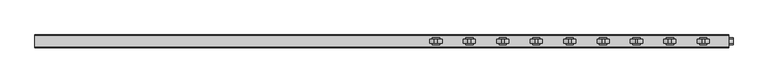
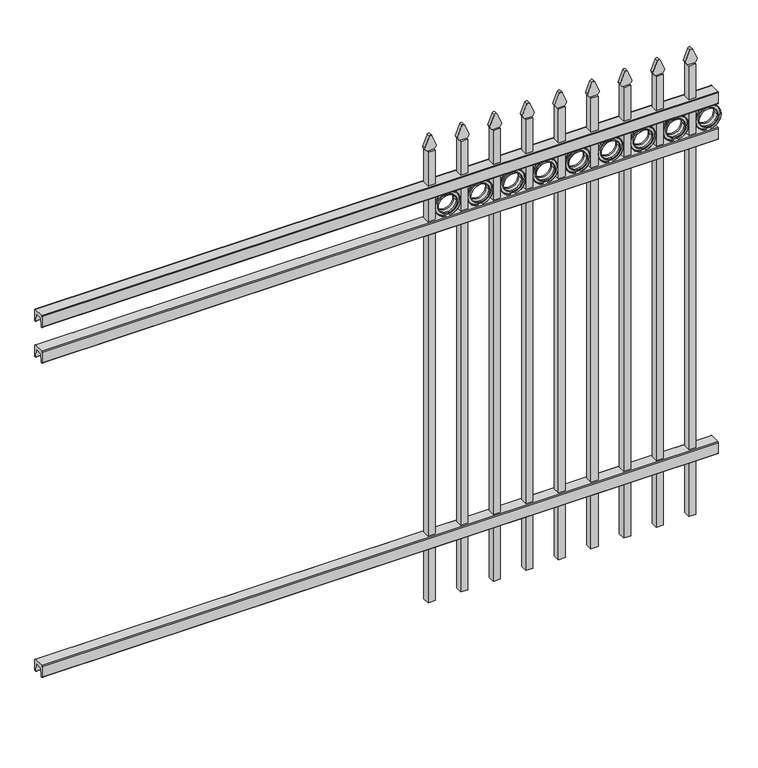
"""IFC4 building model written with IfcOpenShell, lengths in millimetres: railing geometry."""

from ifc_helpers import new_model, si_unit, point, frame, frame_2d, origin, place, context, project, spatial, polyline, circle_curve, trimmed, segment, composite_curve, outline, extrude, source, transform, mapped, element, save


def railing_13923041(model_context):
    return source(origin(), model_context, "Body", "SweptSolid", [
        extrude(outline(composite_curve([segment(polyline([(10349.9139761, 304.8), (10387.969541, 304.8)]), True, "CONTINUOUS"), segment(trimmed(circle_curve(frame_2d((10387.969541, 301.625)), 3.175), [point((10387.969541, 304.8))], [point((10391.144541, 301.625))], False, "CARTESIAN"), True, "CONTINUOUS"), segment(polyline([(10391.144541, 301.625), (10391.144541, 262.1439893)]), True, "CONTINUOUS"), segment(trimmed(circle_curve(frame_2d((10389.3505518, 262.1439893)), 1.7939893), [point((10391.144541, 262.1439893))], [point((10389.3505518, 260.35))], False, "CARTESIAN"), True, "CONTINUOUS"), segment(polyline([(10389.3505518, 260.35), (10386.7590713, 260.35)]), True, "CONTINUOUS"), segment(trimmed(circle_curve(frame_2d((10386.7590713, 262.1359375)), 1.7859375), [point((10386.7590713, 260.35))], [point((10384.9755813, 262.0424688))], False, "CARTESIAN"), True, "CONTINUOUS"), segment(polyline([(10384.9755813, 262.0424688), (10383.4025867, 292.0569942), (10354.4364954, 292.0569942), (10352.8635007, 262.0424688)]), True, "CONTINUOUS"), segment(trimmed(circle_curve(frame_2d((10351.0800108, 262.1359375)), 1.7859375), [point((10352.8635007, 262.0424688))], [point((10351.0800108, 260.35))], False, "CARTESIAN"), True, "CONTINUOUS"), segment(polyline([(10351.0800108, 260.35), (10348.4804785, 260.35)]), True, "CONTINUOUS"), segment(trimmed(circle_curve(frame_2d((10348.4804785, 262.1359375)), 1.7859375), [point((10348.4804785, 260.35))], [point((10346.694541, 262.1359375))], False, "CARTESIAN"), True, "CONTINUOUS"), segment(polyline([(10346.694541, 262.1359375), (10346.694541, 301.5805649)]), True, "CONTINUOUS"), segment(trimmed(circle_curve(frame_2d((10349.9139761, 301.5805649)), 3.2194351), [point((10346.694541, 301.5805649))], [point((10349.9139761, 304.8))], False, "CARTESIAN"), True, "CONTINUOUS")], self_intersect=False)), frame((-23871.4649936, 0.0, 0.0), z_axis=(1.0, 0.0, 0.0), x_axis=(0.0, 1.0, 0.0)), (0.0, 0.0, 1.0), 2438.4),
        extrude(outline(composite_curve([segment(polyline([(10349.9139761, 1503.3625), (10387.969541, 1503.3625)]), True, "CONTINUOUS"), segment(trimmed(circle_curve(frame_2d((10387.969541, 1500.1875)), 3.175), [point((10387.969541, 1503.3625))], [point((10391.144541, 1500.1875))], False, "CARTESIAN"), True, "CONTINUOUS"), segment(polyline([(10391.144541, 1500.1875), (10391.144541, 1460.7064893)]), True, "CONTINUOUS"), segment(trimmed(circle_curve(frame_2d((10389.3505518, 1460.7064893)), 1.7939893), [point((10391.144541, 1460.7064893))], [point((10389.3505518, 1458.9125))], False, "CARTESIAN"), True, "CONTINUOUS"), segment(polyline([(10389.3505518, 1458.9125), (10386.7590713, 1458.9125)]), True, "CONTINUOUS"), segment(trimmed(circle_curve(frame_2d((10386.7590713, 1460.6984375)), 1.7859375), [point((10386.7590713, 1458.9125))], [point((10384.9755813, 1460.6049688))], False, "CARTESIAN"), True, "CONTINUOUS"), segment(polyline([(10384.9755813, 1460.6049688), (10383.4025867, 1490.6194942), (10354.4364954, 1490.6194942), (10352.8635007, 1460.6049688)]), True, "CONTINUOUS"), segment(trimmed(circle_curve(frame_2d((10351.0800108, 1460.6984375)), 1.7859375), [point((10352.8635007, 1460.6049688))], [point((10351.0800108, 1458.9125))], False, "CARTESIAN"), True, "CONTINUOUS"), segment(polyline([(10351.0800108, 1458.9125), (10348.4804785, 1458.9125)]), True, "CONTINUOUS"), segment(trimmed(circle_curve(frame_2d((10348.4804785, 1460.6984375)), 1.7859375), [point((10348.4804785, 1458.9125))], [point((10346.694541, 1460.6984375))], False, "CARTESIAN"), True, "CONTINUOUS"), segment(polyline([(10346.694541, 1460.6984375), (10346.694541, 1500.1430649)]), True, "CONTINUOUS"), segment(trimmed(circle_curve(frame_2d((10349.9139761, 1500.1430649)), 3.2194351), [point((10346.694541, 1500.1430649))], [point((10349.9139761, 1503.3625))], False, "CARTESIAN"), True, "CONTINUOUS")], self_intersect=False)), frame((-23871.4649936, 0.0, 0.0), z_axis=(1.0, 0.0, 0.0), x_axis=(0.0, 1.0, 0.0)), (0.0, 0.0, 1.0), 2438.4),
        extrude(outline(composite_curve([segment(polyline([(10349.9139761, 1639.8875), (10387.969541, 1639.8875)]), True, "CONTINUOUS"), segment(trimmed(circle_curve(frame_2d((10387.969541, 1636.7125)), 3.175), [point((10387.969541, 1639.8875))], [point((10391.144541, 1636.7125))], False, "CARTESIAN"), True, "CONTINUOUS"), segment(polyline([(10391.144541, 1636.7125), (10391.144541, 1597.2314893)]), True, "CONTINUOUS"), segment(trimmed(circle_curve(frame_2d((10389.3505518, 1597.2314893)), 1.7939893), [point((10391.144541, 1597.2314893))], [point((10389.3505518, 1595.4375))], False, "CARTESIAN"), True, "CONTINUOUS"), segment(polyline([(10389.3505518, 1595.4375), (10386.7590713, 1595.4375)]), True, "CONTINUOUS"), segment(trimmed(circle_curve(frame_2d((10386.7590713, 1597.2234375)), 1.7859375), [point((10386.7590713, 1595.4375))], [point((10384.9755813, 1597.1299688))], False, "CARTESIAN"), True, "CONTINUOUS"), segment(polyline([(10384.9755813, 1597.1299688), (10383.4025867, 1627.1444942), (10354.4364954, 1627.1444942), (10352.8635007, 1597.1299688)]), True, "CONTINUOUS"), segment(trimmed(circle_curve(frame_2d((10351.0800108, 1597.2234375)), 1.7859375), [point((10352.8635007, 1597.1299688))], [point((10351.0800108, 1595.4375))], False, "CARTESIAN"), True, "CONTINUOUS"), segment(polyline([(10351.0800108, 1595.4375), (10348.4804785, 1595.4375)]), True, "CONTINUOUS"), segment(trimmed(circle_curve(frame_2d((10348.4804785, 1597.2234375)), 1.7859375), [point((10348.4804785, 1595.4375))], [point((10346.694541, 1597.2234375))], False, "CARTESIAN"), True, "CONTINUOUS"), segment(polyline([(10346.694541, 1597.2234375), (10346.694541, 1636.6680649)]), True, "CONTINUOUS"), segment(trimmed(circle_curve(frame_2d((10349.9139761, 1636.6680649)), 3.2194351), [point((10346.694541, 1636.6680649))], [point((10349.9139761, 1639.8875))], False, "CARTESIAN"), True, "CONTINUOUS")], self_intersect=False)), frame((-23871.4649936, 0.0, 0.0), z_axis=(1.0, 0.0, 0.0), x_axis=(0.0, 1.0, 0.0)), (0.0, 0.0, 1.0), 2438.4),
        extrude(outline(composite_curve([segment(polyline([(1769.4798417, -21534.6649936), (1769.4798417, -21508.9743116)]), True, "CONTINUOUS"), segment(trimmed(circle_curve(frame_2d((1787.7299402, -21523.1372336)), 23.1009622), [point((1769.4798417, -21508.9743116))], [point((1782.2676176, -21500.6913545))], False, "CARTESIAN"), True, "CONTINUOUS"), segment(polyline([(1782.2676176, -21500.6913545), (1822.7555225, -21517.0105644)]), True, "CONTINUOUS"), segment(trimmed(circle_curve(frame_2d((1819.6045804, -21522.1405764)), 6.0204202), [point((1822.7555225, -21517.0105644))], [point((1822.7555225, -21527.2705884))], False, "CARTESIAN"), True, "CONTINUOUS"), segment(polyline([(1822.7555225, -21527.2705884), (1783.5339948, -21543.2187724)]), True, "CONTINUOUS"), segment(trimmed(circle_curve(frame_2d((1787.7299402, -21520.5020716)), 23.1009622), [point((1783.5339948, -21543.2187724))], [point((1769.4798417, -21534.6649936))], False, "CARTESIAN"), True, "CONTINUOUS")], self_intersect=False)), frame((0.0, 10362.569541, 0.0), z_axis=(0.0, 1.0, 0.0), x_axis=(0.0, 0.0, 1.0)), (0.0, 0.0, 1.0), 12.7),
        extrude(outline(composite_curve([segment(trimmed(circle_curve(frame_2d((1546.9853669, -21463.1692595)), 45.6988591), [point((1546.9853669, -21417.4704004))], [point((1546.9853669, -21508.8681186))], False, "CARTESIAN"), True, "CONTINUOUS"), segment(trimmed(circle_curve(frame_2d((1546.9853669, -21463.1692595)), 45.6988591), [point((1546.9853669, -21508.8681186))], [point((1546.9853669, -21417.4704004))], False, "CARTESIAN"), True, "CONTINUOUS")], self_intersect=False), holes=[composite_curve([segment(trimmed(circle_curve(frame_2d((1546.9853669, -21463.1692595)), 33.0443887), [point((1546.9853669, -21430.1248708))], [point((1546.9853669, -21496.2136482))], True, "CARTESIAN"), True, "CONTINUOUS"), segment(trimmed(circle_curve(frame_2d((1546.9853669, -21463.1692595)), 33.0443887), [point((1546.9853669, -21496.2136482))], [point((1546.9853669, -21430.1248708))], True, "CARTESIAN"), True, "CONTINUOUS")], self_intersect=False)]), frame((0.0, 10362.569541, 0.0), z_axis=(0.0, 1.0, 0.0), x_axis=(0.0, 0.0, 1.0)), (0.0, 0.0, 1.0), 12.7),
        extrude(outline(polyline([(-21534.6649936, 10381.619541), (-21509.2649936, 10381.619541), (-21509.2649936, 10356.219541), (-21534.6649936, 10356.219541), (-21534.6649936, 10381.619541)])), frame((0.0, 0.0, 50.8), z_axis=(0.0, 0.0, 1.0), x_axis=(1.0, 0.0, 0.0)), (0.0, 0.0, 1.0), 1718.4579232),
        extrude(outline(composite_curve([segment(trimmed(circle_curve(frame_2d((1546.9853669, -21463.1692595)), 45.6988591), [point((1546.9853669, -21417.4704004))], [point((1546.9853669, -21508.8681186))], False, "CARTESIAN"), True, "CONTINUOUS"), segment(trimmed(circle_curve(frame_2d((1546.9853669, -21463.1692595)), 45.6988591), [point((1546.9853669, -21508.8681186))], [point((1546.9853669, -21417.4704004))], False, "CARTESIAN"), True, "CONTINUOUS")], self_intersect=False), holes=[composite_curve([segment(trimmed(circle_curve(frame_2d((1546.9853669, -21463.1692595)), 44.101539), [point((1546.9853669, -21419.0677205))], [point((1546.9853669, -21507.2707985))], True, "CARTESIAN"), True, "CONTINUOUS"), segment(trimmed(circle_curve(frame_2d((1546.9853669, -21463.1692595)), 44.101539), [point((1546.9853669, -21507.2707985))], [point((1546.9853669, -21419.0677205))], True, "CARTESIAN"), True, "CONTINUOUS")], self_intersect=False)]), frame((0.0, 10356.219541, 0.0), z_axis=(0.0, 1.0, 0.0), x_axis=(0.0, 0.0, 1.0)), (0.0, 0.0, 1.0), 25.4),
        extrude(outline(composite_curve([segment(trimmed(circle_curve(frame_2d((1546.9853669, -21463.1692595)), 34.6370762), [point((1546.9853669, -21428.5321833))], [point((1546.9853669, -21497.8063357))], False, "CARTESIAN"), True, "CONTINUOUS"), segment(trimmed(circle_curve(frame_2d((1546.9853669, -21463.1692595)), 34.6370762), [point((1546.9853669, -21497.8063357))], [point((1546.9853669, -21428.5321833))], False, "CARTESIAN"), True, "CONTINUOUS")], self_intersect=False), holes=[composite_curve([segment(trimmed(circle_curve(frame_2d((1546.9853669, -21463.1692595)), 33.0443887), [point((1546.9853669, -21430.1248708))], [point((1546.9853669, -21496.2136482))], True, "CARTESIAN"), True, "CONTINUOUS"), segment(trimmed(circle_curve(frame_2d((1546.9853669, -21463.1692595)), 33.0443887), [point((1546.9853669, -21496.2136482))], [point((1546.9853669, -21430.1248708))], True, "CARTESIAN"), True, "CONTINUOUS")], self_intersect=False)]), frame((0.0, 10356.219541, 0.0), z_axis=(0.0, 1.0, 0.0), x_axis=(0.0, 0.0, 1.0)), (0.0, 0.0, 1.0), 25.4),
        extrude(outline(composite_curve([segment(polyline([(1769.4798417, -21652.1399936), (1769.4798417, -21626.4493116)]), True, "CONTINUOUS"), segment(trimmed(circle_curve(frame_2d((1787.7299402, -21640.6122336)), 23.1009622), [point((1769.4798417, -21626.4493116))], [point((1782.2676176, -21618.1663545))], False, "CARTESIAN"), True, "CONTINUOUS"), segment(polyline([(1782.2676176, -21618.1663545), (1822.7555225, -21634.4855644)]), True, "CONTINUOUS"), segment(trimmed(circle_curve(frame_2d((1819.6045804, -21639.6155764)), 6.0204202), [point((1822.7555225, -21634.4855644))], [point((1822.7555225, -21644.7455884))], False, "CARTESIAN"), True, "CONTINUOUS"), segment(polyline([(1822.7555225, -21644.7455884), (1783.5339948, -21660.6937724)]), True, "CONTINUOUS"), segment(trimmed(circle_curve(frame_2d((1787.7299402, -21637.9770716)), 23.1009622), [point((1783.5339948, -21660.6937724))], [point((1769.4798417, -21652.1399936))], False, "CARTESIAN"), True, "CONTINUOUS")], self_intersect=False)), frame((0.0, 10362.569541, 0.0), z_axis=(0.0, 1.0, 0.0), x_axis=(0.0, 0.0, 1.0)), (0.0, 0.0, 1.0), 12.7),
        extrude(outline(composite_curve([segment(trimmed(circle_curve(frame_2d((1546.9853669, -21580.6442595)), 45.6988591), [point((1546.9853669, -21534.9454004))], [point((1546.9853669, -21626.3431186))], False, "CARTESIAN"), True, "CONTINUOUS"), segment(trimmed(circle_curve(frame_2d((1546.9853669, -21580.6442595)), 45.6988591), [point((1546.9853669, -21626.3431186))], [point((1546.9853669, -21534.9454004))], False, "CARTESIAN"), True, "CONTINUOUS")], self_intersect=False), holes=[composite_curve([segment(trimmed(circle_curve(frame_2d((1546.9853669, -21580.6442595)), 33.0443887), [point((1546.9853669, -21547.5998708))], [point((1546.9853669, -21613.6886482))], True, "CARTESIAN"), True, "CONTINUOUS"), segment(trimmed(circle_curve(frame_2d((1546.9853669, -21580.6442595)), 33.0443887), [point((1546.9853669, -21613.6886482))], [point((1546.9853669, -21547.5998708))], True, "CARTESIAN"), True, "CONTINUOUS")], self_intersect=False)]), frame((0.0, 10362.569541, 0.0), z_axis=(0.0, 1.0, 0.0), x_axis=(0.0, 0.0, 1.0)), (0.0, 0.0, 1.0), 12.7),
        extrude(outline(polyline([(-21652.1399936, 10381.619541), (-21626.7399936, 10381.619541), (-21626.7399936, 10356.219541), (-21652.1399936, 10356.219541), (-21652.1399936, 10381.619541)])), frame((0.0, 0.0, 50.8), z_axis=(0.0, 0.0, 1.0), x_axis=(1.0, 0.0, 0.0)), (0.0, 0.0, 1.0), 1718.4579232),
        extrude(outline(composite_curve([segment(trimmed(circle_curve(frame_2d((1546.9853669, -21580.6442595)), 45.6988591), [point((1546.9853669, -21534.9454004))], [point((1546.9853669, -21626.3431186))], False, "CARTESIAN"), True, "CONTINUOUS"), segment(trimmed(circle_curve(frame_2d((1546.9853669, -21580.6442595)), 45.6988591), [point((1546.9853669, -21626.3431186))], [point((1546.9853669, -21534.9454004))], False, "CARTESIAN"), True, "CONTINUOUS")], self_intersect=False), holes=[composite_curve([segment(trimmed(circle_curve(frame_2d((1546.9853669, -21580.6442595)), 44.101539), [point((1546.9853669, -21536.5427205))], [point((1546.9853669, -21624.7457985))], True, "CARTESIAN"), True, "CONTINUOUS"), segment(trimmed(circle_curve(frame_2d((1546.9853669, -21580.6442595)), 44.101539), [point((1546.9853669, -21624.7457985))], [point((1546.9853669, -21536.5427205))], True, "CARTESIAN"), True, "CONTINUOUS")], self_intersect=False)]), frame((0.0, 10356.219541, 0.0), z_axis=(0.0, 1.0, 0.0), x_axis=(0.0, 0.0, 1.0)), (0.0, 0.0, 1.0), 25.4),
        extrude(outline(composite_curve([segment(trimmed(circle_curve(frame_2d((1546.9853669, -21580.6442595)), 34.6370762), [point((1546.9853669, -21546.0071833))], [point((1546.9853669, -21615.2813357))], False, "CARTESIAN"), True, "CONTINUOUS"), segment(trimmed(circle_curve(frame_2d((1546.9853669, -21580.6442595)), 34.6370762), [point((1546.9853669, -21615.2813357))], [point((1546.9853669, -21546.0071833))], False, "CARTESIAN"), True, "CONTINUOUS")], self_intersect=False), holes=[composite_curve([segment(trimmed(circle_curve(frame_2d((1546.9853669, -21580.6442595)), 33.0443887), [point((1546.9853669, -21547.5998708))], [point((1546.9853669, -21613.6886482))], True, "CARTESIAN"), True, "CONTINUOUS"), segment(trimmed(circle_curve(frame_2d((1546.9853669, -21580.6442595)), 33.0443887), [point((1546.9853669, -21613.6886482))], [point((1546.9853669, -21547.5998708))], True, "CARTESIAN"), True, "CONTINUOUS")], self_intersect=False)]), frame((0.0, 10356.219541, 0.0), z_axis=(0.0, 1.0, 0.0), x_axis=(0.0, 0.0, 1.0)), (0.0, 0.0, 1.0), 25.4),
        extrude(outline(composite_curve([segment(polyline([(1769.4798417, -21769.6149936), (1769.4798417, -21743.9243116)]), True, "CONTINUOUS"), segment(trimmed(circle_curve(frame_2d((1787.7299402, -21758.0872336)), 23.1009622), [point((1769.4798417, -21743.9243116))], [point((1782.2676176, -21735.6413545))], False, "CARTESIAN"), True, "CONTINUOUS"), segment(polyline([(1782.2676176, -21735.6413545), (1822.7555225, -21751.9605644)]), True, "CONTINUOUS"), segment(trimmed(circle_curve(frame_2d((1819.6045804, -21757.0905764)), 6.0204202), [point((1822.7555225, -21751.9605644))], [point((1822.7555225, -21762.2205884))], False, "CARTESIAN"), True, "CONTINUOUS"), segment(polyline([(1822.7555225, -21762.2205884), (1783.5339948, -21778.1687724)]), True, "CONTINUOUS"), segment(trimmed(circle_curve(frame_2d((1787.7299402, -21755.4520716)), 23.1009622), [point((1783.5339948, -21778.1687724))], [point((1769.4798417, -21769.6149936))], False, "CARTESIAN"), True, "CONTINUOUS")], self_intersect=False)), frame((0.0, 10362.569541, 0.0), z_axis=(0.0, 1.0, 0.0), x_axis=(0.0, 0.0, 1.0)), (0.0, 0.0, 1.0), 12.7),
        extrude(outline(composite_curve([segment(trimmed(circle_curve(frame_2d((1546.9853669, -21698.1192595)), 45.6988591), [point((1546.9853669, -21652.4204004))], [point((1546.9853669, -21743.8181186))], False, "CARTESIAN"), True, "CONTINUOUS"), segment(trimmed(circle_curve(frame_2d((1546.9853669, -21698.1192595)), 45.6988591), [point((1546.9853669, -21743.8181186))], [point((1546.9853669, -21652.4204004))], False, "CARTESIAN"), True, "CONTINUOUS")], self_intersect=False), holes=[composite_curve([segment(trimmed(circle_curve(frame_2d((1546.9853669, -21698.1192595)), 33.0443887), [point((1546.9853669, -21665.0748708))], [point((1546.9853669, -21731.1636482))], True, "CARTESIAN"), True, "CONTINUOUS"), segment(trimmed(circle_curve(frame_2d((1546.9853669, -21698.1192595)), 33.0443887), [point((1546.9853669, -21731.1636482))], [point((1546.9853669, -21665.0748708))], True, "CARTESIAN"), True, "CONTINUOUS")], self_intersect=False)]), frame((0.0, 10362.569541, 0.0), z_axis=(0.0, 1.0, 0.0), x_axis=(0.0, 0.0, 1.0)), (0.0, 0.0, 1.0), 12.7),
        extrude(outline(polyline([(-21769.6149936, 10381.619541), (-21744.2149936, 10381.619541), (-21744.2149936, 10356.219541), (-21769.6149936, 10356.219541), (-21769.6149936, 10381.619541)])), frame((0.0, 0.0, 50.8), z_axis=(0.0, 0.0, 1.0), x_axis=(1.0, 0.0, 0.0)), (0.0, 0.0, 1.0), 1718.4579232),
        extrude(outline(composite_curve([segment(trimmed(circle_curve(frame_2d((1546.9853669, -21698.1192595)), 45.6988591), [point((1546.9853669, -21652.4204004))], [point((1546.9853669, -21743.8181186))], False, "CARTESIAN"), True, "CONTINUOUS"), segment(trimmed(circle_curve(frame_2d((1546.9853669, -21698.1192595)), 45.6988591), [point((1546.9853669, -21743.8181186))], [point((1546.9853669, -21652.4204004))], False, "CARTESIAN"), True, "CONTINUOUS")], self_intersect=False), holes=[composite_curve([segment(trimmed(circle_curve(frame_2d((1546.9853669, -21698.1192595)), 44.101539), [point((1546.9853669, -21654.0177205))], [point((1546.9853669, -21742.2207985))], True, "CARTESIAN"), True, "CONTINUOUS"), segment(trimmed(circle_curve(frame_2d((1546.9853669, -21698.1192595)), 44.101539), [point((1546.9853669, -21742.2207985))], [point((1546.9853669, -21654.0177205))], True, "CARTESIAN"), True, "CONTINUOUS")], self_intersect=False)]), frame((0.0, 10356.219541, 0.0), z_axis=(0.0, 1.0, 0.0), x_axis=(0.0, 0.0, 1.0)), (0.0, 0.0, 1.0), 25.4),
        extrude(outline(composite_curve([segment(trimmed(circle_curve(frame_2d((1546.9853669, -21698.1192595)), 34.6370762), [point((1546.9853669, -21663.4821833))], [point((1546.9853669, -21732.7563357))], False, "CARTESIAN"), True, "CONTINUOUS"), segment(trimmed(circle_curve(frame_2d((1546.9853669, -21698.1192595)), 34.6370762), [point((1546.9853669, -21732.7563357))], [point((1546.9853669, -21663.4821833))], False, "CARTESIAN"), True, "CONTINUOUS")], self_intersect=False), holes=[composite_curve([segment(trimmed(circle_curve(frame_2d((1546.9853669, -21698.1192595)), 33.0443887), [point((1546.9853669, -21665.0748708))], [point((1546.9853669, -21731.1636482))], True, "CARTESIAN"), True, "CONTINUOUS"), segment(trimmed(circle_curve(frame_2d((1546.9853669, -21698.1192595)), 33.0443887), [point((1546.9853669, -21731.1636482))], [point((1546.9853669, -21665.0748708))], True, "CARTESIAN"), True, "CONTINUOUS")], self_intersect=False)]), frame((0.0, 10356.219541, 0.0), z_axis=(0.0, 1.0, 0.0), x_axis=(0.0, 0.0, 1.0)), (0.0, 0.0, 1.0), 25.4),
        extrude(outline(composite_curve([segment(polyline([(1769.4798417, -21887.0899936), (1769.4798417, -21861.3993116)]), True, "CONTINUOUS"), segment(trimmed(circle_curve(frame_2d((1787.7299402, -21875.5622336)), 23.1009622), [point((1769.4798417, -21861.3993116))], [point((1782.2676176, -21853.1163545))], False, "CARTESIAN"), True, "CONTINUOUS"), segment(polyline([(1782.2676176, -21853.1163545), (1822.7555225, -21869.4355644)]), True, "CONTINUOUS"), segment(trimmed(circle_curve(frame_2d((1819.6045804, -21874.5655764)), 6.0204202), [point((1822.7555225, -21869.4355644))], [point((1822.7555225, -21879.6955884))], False, "CARTESIAN"), True, "CONTINUOUS"), segment(polyline([(1822.7555225, -21879.6955884), (1783.5339948, -21895.6437724)]), True, "CONTINUOUS"), segment(trimmed(circle_curve(frame_2d((1787.7299402, -21872.9270716)), 23.1009622), [point((1783.5339948, -21895.6437724))], [point((1769.4798417, -21887.0899936))], False, "CARTESIAN"), True, "CONTINUOUS")], self_intersect=False)), frame((0.0, 10362.569541, 0.0), z_axis=(0.0, 1.0, 0.0), x_axis=(0.0, 0.0, 1.0)), (0.0, 0.0, 1.0), 12.7),
        extrude(outline(composite_curve([segment(trimmed(circle_curve(frame_2d((1546.9853669, -21815.5942595)), 45.6988591), [point((1546.9853669, -21769.8954004))], [point((1546.9853669, -21861.2931186))], False, "CARTESIAN"), True, "CONTINUOUS"), segment(trimmed(circle_curve(frame_2d((1546.9853669, -21815.5942595)), 45.6988591), [point((1546.9853669, -21861.2931186))], [point((1546.9853669, -21769.8954004))], False, "CARTESIAN"), True, "CONTINUOUS")], self_intersect=False), holes=[composite_curve([segment(trimmed(circle_curve(frame_2d((1546.9853669, -21815.5942595)), 33.0443887), [point((1546.9853669, -21782.5498708))], [point((1546.9853669, -21848.6386482))], True, "CARTESIAN"), True, "CONTINUOUS"), segment(trimmed(circle_curve(frame_2d((1546.9853669, -21815.5942595)), 33.0443887), [point((1546.9853669, -21848.6386482))], [point((1546.9853669, -21782.5498708))], True, "CARTESIAN"), True, "CONTINUOUS")], self_intersect=False)]), frame((0.0, 10362.569541, 0.0), z_axis=(0.0, 1.0, 0.0), x_axis=(0.0, 0.0, 1.0)), (0.0, 0.0, 1.0), 12.7),
        extrude(outline(polyline([(-21887.0899936, 10381.619541), (-21861.6899936, 10381.619541), (-21861.6899936, 10356.219541), (-21887.0899936, 10356.219541), (-21887.0899936, 10381.619541)])), frame((0.0, 0.0, 50.8), z_axis=(0.0, 0.0, 1.0), x_axis=(1.0, 0.0, 0.0)), (0.0, 0.0, 1.0), 1718.4579232),
        extrude(outline(composite_curve([segment(trimmed(circle_curve(frame_2d((1546.9853669, -21815.5942595)), 45.6988591), [point((1546.9853669, -21769.8954004))], [point((1546.9853669, -21861.2931186))], False, "CARTESIAN"), True, "CONTINUOUS"), segment(trimmed(circle_curve(frame_2d((1546.9853669, -21815.5942595)), 45.6988591), [point((1546.9853669, -21861.2931186))], [point((1546.9853669, -21769.8954004))], False, "CARTESIAN"), True, "CONTINUOUS")], self_intersect=False), holes=[composite_curve([segment(trimmed(circle_curve(frame_2d((1546.9853669, -21815.5942595)), 44.101539), [point((1546.9853669, -21771.4927205))], [point((1546.9853669, -21859.6957985))], True, "CARTESIAN"), True, "CONTINUOUS"), segment(trimmed(circle_curve(frame_2d((1546.9853669, -21815.5942595)), 44.101539), [point((1546.9853669, -21859.6957985))], [point((1546.9853669, -21771.4927205))], True, "CARTESIAN"), True, "CONTINUOUS")], self_intersect=False)]), frame((0.0, 10356.219541, 0.0), z_axis=(0.0, 1.0, 0.0), x_axis=(0.0, 0.0, 1.0)), (0.0, 0.0, 1.0), 25.4),
        extrude(outline(composite_curve([segment(trimmed(circle_curve(frame_2d((1546.9853669, -21815.5942595)), 34.6370762), [point((1546.9853669, -21780.9571833))], [point((1546.9853669, -21850.2313357))], False, "CARTESIAN"), True, "CONTINUOUS"), segment(trimmed(circle_curve(frame_2d((1546.9853669, -21815.5942595)), 34.6370762), [point((1546.9853669, -21850.2313357))], [point((1546.9853669, -21780.9571833))], False, "CARTESIAN"), True, "CONTINUOUS")], self_intersect=False), holes=[composite_curve([segment(trimmed(circle_curve(frame_2d((1546.9853669, -21815.5942595)), 33.0443887), [point((1546.9853669, -21782.5498708))], [point((1546.9853669, -21848.6386482))], True, "CARTESIAN"), True, "CONTINUOUS"), segment(trimmed(circle_curve(frame_2d((1546.9853669, -21815.5942595)), 33.0443887), [point((1546.9853669, -21848.6386482))], [point((1546.9853669, -21782.5498708))], True, "CARTESIAN"), True, "CONTINUOUS")], self_intersect=False)]), frame((0.0, 10356.219541, 0.0), z_axis=(0.0, 1.0, 0.0), x_axis=(0.0, 0.0, 1.0)), (0.0, 0.0, 1.0), 25.4),
        extrude(outline(composite_curve([segment(polyline([(1769.4798417, -22004.5649936), (1769.4798417, -21978.8743116)]), True, "CONTINUOUS"), segment(trimmed(circle_curve(frame_2d((1787.7299402, -21993.0372336)), 23.1009622), [point((1769.4798417, -21978.8743116))], [point((1782.2676176, -21970.5913545))], False, "CARTESIAN"), True, "CONTINUOUS"), segment(polyline([(1782.2676176, -21970.5913545), (1822.7555225, -21986.9105644)]), True, "CONTINUOUS"), segment(trimmed(circle_curve(frame_2d((1819.6045804, -21992.0405764)), 6.0204202), [point((1822.7555225, -21986.9105644))], [point((1822.7555225, -21997.1705884))], False, "CARTESIAN"), True, "CONTINUOUS"), segment(polyline([(1822.7555225, -21997.1705884), (1783.5339948, -22013.1187724)]), True, "CONTINUOUS"), segment(trimmed(circle_curve(frame_2d((1787.7299402, -21990.4020716)), 23.1009622), [point((1783.5339948, -22013.1187724))], [point((1769.4798417, -22004.5649936))], False, "CARTESIAN"), True, "CONTINUOUS")], self_intersect=False)), frame((0.0, 10362.569541, 0.0), z_axis=(0.0, 1.0, 0.0), x_axis=(0.0, 0.0, 1.0)), (0.0, 0.0, 1.0), 12.7),
        extrude(outline(composite_curve([segment(trimmed(circle_curve(frame_2d((1546.9853669, -21933.0692595)), 45.6988591), [point((1546.9853669, -21887.3704004))], [point((1546.9853669, -21978.7681186))], False, "CARTESIAN"), True, "CONTINUOUS"), segment(trimmed(circle_curve(frame_2d((1546.9853669, -21933.0692595)), 45.6988591), [point((1546.9853669, -21978.7681186))], [point((1546.9853669, -21887.3704004))], False, "CARTESIAN"), True, "CONTINUOUS")], self_intersect=False), holes=[composite_curve([segment(trimmed(circle_curve(frame_2d((1546.9853669, -21933.0692595)), 33.0443887), [point((1546.9853669, -21900.0248708))], [point((1546.9853669, -21966.1136482))], True, "CARTESIAN"), True, "CONTINUOUS"), segment(trimmed(circle_curve(frame_2d((1546.9853669, -21933.0692595)), 33.0443887), [point((1546.9853669, -21966.1136482))], [point((1546.9853669, -21900.0248708))], True, "CARTESIAN"), True, "CONTINUOUS")], self_intersect=False)]), frame((0.0, 10362.569541, 0.0), z_axis=(0.0, 1.0, 0.0), x_axis=(0.0, 0.0, 1.0)), (0.0, 0.0, 1.0), 12.7),
        extrude(outline(polyline([(-22004.5649936, 10381.619541), (-21979.1649936, 10381.619541), (-21979.1649936, 10356.219541), (-22004.5649936, 10356.219541), (-22004.5649936, 10381.619541)])), frame((0.0, 0.0, 50.8), z_axis=(0.0, 0.0, 1.0), x_axis=(1.0, 0.0, 0.0)), (0.0, 0.0, 1.0), 1718.4579232),
        extrude(outline(composite_curve([segment(trimmed(circle_curve(frame_2d((1546.9853669, -21933.0692595)), 45.6988591), [point((1546.9853669, -21887.3704004))], [point((1546.9853669, -21978.7681186))], False, "CARTESIAN"), True, "CONTINUOUS"), segment(trimmed(circle_curve(frame_2d((1546.9853669, -21933.0692595)), 45.6988591), [point((1546.9853669, -21978.7681186))], [point((1546.9853669, -21887.3704004))], False, "CARTESIAN"), True, "CONTINUOUS")], self_intersect=False), holes=[composite_curve([segment(trimmed(circle_curve(frame_2d((1546.9853669, -21933.0692595)), 44.101539), [point((1546.9853669, -21888.9677205))], [point((1546.9853669, -21977.1707985))], True, "CARTESIAN"), True, "CONTINUOUS"), segment(trimmed(circle_curve(frame_2d((1546.9853669, -21933.0692595)), 44.101539), [point((1546.9853669, -21977.1707985))], [point((1546.9853669, -21888.9677205))], True, "CARTESIAN"), True, "CONTINUOUS")], self_intersect=False)]), frame((0.0, 10356.219541, 0.0), z_axis=(0.0, 1.0, 0.0), x_axis=(0.0, 0.0, 1.0)), (0.0, 0.0, 1.0), 25.4),
        extrude(outline(composite_curve([segment(trimmed(circle_curve(frame_2d((1546.9853669, -21933.0692595)), 34.6370762), [point((1546.9853669, -21898.4321833))], [point((1546.9853669, -21967.7063357))], False, "CARTESIAN"), True, "CONTINUOUS"), segment(trimmed(circle_curve(frame_2d((1546.9853669, -21933.0692595)), 34.6370762), [point((1546.9853669, -21967.7063357))], [point((1546.9853669, -21898.4321833))], False, "CARTESIAN"), True, "CONTINUOUS")], self_intersect=False), holes=[composite_curve([segment(trimmed(circle_curve(frame_2d((1546.9853669, -21933.0692595)), 33.0443887), [point((1546.9853669, -21900.0248708))], [point((1546.9853669, -21966.1136482))], True, "CARTESIAN"), True, "CONTINUOUS"), segment(trimmed(circle_curve(frame_2d((1546.9853669, -21933.0692595)), 33.0443887), [point((1546.9853669, -21966.1136482))], [point((1546.9853669, -21900.0248708))], True, "CARTESIAN"), True, "CONTINUOUS")], self_intersect=False)]), frame((0.0, 10356.219541, 0.0), z_axis=(0.0, 1.0, 0.0), x_axis=(0.0, 0.0, 1.0)), (0.0, 0.0, 1.0), 25.4),
        extrude(outline(composite_curve([segment(polyline([(1769.4798417, -22122.0399936), (1769.4798417, -22096.3493116)]), True, "CONTINUOUS"), segment(trimmed(circle_curve(frame_2d((1787.7299402, -22110.5122336)), 23.1009622), [point((1769.4798417, -22096.3493116))], [point((1782.2676176, -22088.0663545))], False, "CARTESIAN"), True, "CONTINUOUS"), segment(polyline([(1782.2676176, -22088.0663545), (1822.7555225, -22104.3855644)]), True, "CONTINUOUS"), segment(trimmed(circle_curve(frame_2d((1819.6045804, -22109.5155764)), 6.0204202), [point((1822.7555225, -22104.3855644))], [point((1822.7555225, -22114.6455884))], False, "CARTESIAN"), True, "CONTINUOUS"), segment(polyline([(1822.7555225, -22114.6455884), (1783.5339948, -22130.5937724)]), True, "CONTINUOUS"), segment(trimmed(circle_curve(frame_2d((1787.7299402, -22107.8770716)), 23.1009622), [point((1783.5339948, -22130.5937724))], [point((1769.4798417, -22122.0399936))], False, "CARTESIAN"), True, "CONTINUOUS")], self_intersect=False)), frame((0.0, 10362.569541, 0.0), z_axis=(0.0, 1.0, 0.0), x_axis=(0.0, 0.0, 1.0)), (0.0, 0.0, 1.0), 12.7),
        extrude(outline(composite_curve([segment(trimmed(circle_curve(frame_2d((1546.9853669, -22050.5442595)), 45.6988591), [point((1546.9853669, -22004.8454004))], [point((1546.9853669, -22096.2431186))], False, "CARTESIAN"), True, "CONTINUOUS"), segment(trimmed(circle_curve(frame_2d((1546.9853669, -22050.5442595)), 45.6988591), [point((1546.9853669, -22096.2431186))], [point((1546.9853669, -22004.8454004))], False, "CARTESIAN"), True, "CONTINUOUS")], self_intersect=False), holes=[composite_curve([segment(trimmed(circle_curve(frame_2d((1546.9853669, -22050.5442595)), 33.0443887), [point((1546.9853669, -22017.4998708))], [point((1546.9853669, -22083.5886482))], True, "CARTESIAN"), True, "CONTINUOUS"), segment(trimmed(circle_curve(frame_2d((1546.9853669, -22050.5442595)), 33.0443887), [point((1546.9853669, -22083.5886482))], [point((1546.9853669, -22017.4998708))], True, "CARTESIAN"), True, "CONTINUOUS")], self_intersect=False)]), frame((0.0, 10362.569541, 0.0), z_axis=(0.0, 1.0, 0.0), x_axis=(0.0, 0.0, 1.0)), (0.0, 0.0, 1.0), 12.7),
        extrude(outline(polyline([(-22122.0399936, 10381.619541), (-22096.6399936, 10381.619541), (-22096.6399936, 10356.219541), (-22122.0399936, 10356.219541), (-22122.0399936, 10381.619541)])), frame((0.0, 0.0, 50.8), z_axis=(0.0, 0.0, 1.0), x_axis=(1.0, 0.0, 0.0)), (0.0, 0.0, 1.0), 1718.4579232),
        extrude(outline(composite_curve([segment(trimmed(circle_curve(frame_2d((1546.9853669, -22050.5442595)), 45.6988591), [point((1546.9853669, -22004.8454004))], [point((1546.9853669, -22096.2431186))], False, "CARTESIAN"), True, "CONTINUOUS"), segment(trimmed(circle_curve(frame_2d((1546.9853669, -22050.5442595)), 45.6988591), [point((1546.9853669, -22096.2431186))], [point((1546.9853669, -22004.8454004))], False, "CARTESIAN"), True, "CONTINUOUS")], self_intersect=False), holes=[composite_curve([segment(trimmed(circle_curve(frame_2d((1546.9853669, -22050.5442595)), 44.101539), [point((1546.9853669, -22006.4427205))], [point((1546.9853669, -22094.6457985))], True, "CARTESIAN"), True, "CONTINUOUS"), segment(trimmed(circle_curve(frame_2d((1546.9853669, -22050.5442595)), 44.101539), [point((1546.9853669, -22094.6457985))], [point((1546.9853669, -22006.4427205))], True, "CARTESIAN"), True, "CONTINUOUS")], self_intersect=False)]), frame((0.0, 10356.219541, 0.0), z_axis=(0.0, 1.0, 0.0), x_axis=(0.0, 0.0, 1.0)), (0.0, 0.0, 1.0), 25.4),
        extrude(outline(composite_curve([segment(trimmed(circle_curve(frame_2d((1546.9853669, -22050.5442595)), 34.6370762), [point((1546.9853669, -22015.9071833))], [point((1546.9853669, -22085.1813357))], False, "CARTESIAN"), True, "CONTINUOUS"), segment(trimmed(circle_curve(frame_2d((1546.9853669, -22050.5442595)), 34.6370762), [point((1546.9853669, -22085.1813357))], [point((1546.9853669, -22015.9071833))], False, "CARTESIAN"), True, "CONTINUOUS")], self_intersect=False), holes=[composite_curve([segment(trimmed(circle_curve(frame_2d((1546.9853669, -22050.5442595)), 33.0443887), [point((1546.9853669, -22017.4998708))], [point((1546.9853669, -22083.5886482))], True, "CARTESIAN"), True, "CONTINUOUS"), segment(trimmed(circle_curve(frame_2d((1546.9853669, -22050.5442595)), 33.0443887), [point((1546.9853669, -22083.5886482))], [point((1546.9853669, -22017.4998708))], True, "CARTESIAN"), True, "CONTINUOUS")], self_intersect=False)]), frame((0.0, 10356.219541, 0.0), z_axis=(0.0, 1.0, 0.0), x_axis=(0.0, 0.0, 1.0)), (0.0, 0.0, 1.0), 25.4),
        extrude(outline(composite_curve([segment(polyline([(1769.4798417, -22239.5149936), (1769.4798417, -22213.8243116)]), True, "CONTINUOUS"), segment(trimmed(circle_curve(frame_2d((1787.7299402, -22227.9872336)), 23.1009622), [point((1769.4798417, -22213.8243116))], [point((1782.2676176, -22205.5413545))], False, "CARTESIAN"), True, "CONTINUOUS"), segment(polyline([(1782.2676176, -22205.5413545), (1822.7555225, -22221.8605644)]), True, "CONTINUOUS"), segment(trimmed(circle_curve(frame_2d((1819.6045804, -22226.9905764)), 6.0204202), [point((1822.7555225, -22221.8605644))], [point((1822.7555225, -22232.1205884))], False, "CARTESIAN"), True, "CONTINUOUS"), segment(polyline([(1822.7555225, -22232.1205884), (1783.5339948, -22248.0687724)]), True, "CONTINUOUS"), segment(trimmed(circle_curve(frame_2d((1787.7299402, -22225.3520716)), 23.1009622), [point((1783.5339948, -22248.0687724))], [point((1769.4798417, -22239.5149936))], False, "CARTESIAN"), True, "CONTINUOUS")], self_intersect=False)), frame((0.0, 10362.569541, 0.0), z_axis=(0.0, 1.0, 0.0), x_axis=(0.0, 0.0, 1.0)), (0.0, 0.0, 1.0), 12.7),
        extrude(outline(composite_curve([segment(trimmed(circle_curve(frame_2d((1546.9853669, -22168.0192595)), 45.6988591), [point((1546.9853669, -22122.3204004))], [point((1546.9853669, -22213.7181186))], False, "CARTESIAN"), True, "CONTINUOUS"), segment(trimmed(circle_curve(frame_2d((1546.9853669, -22168.0192595)), 45.6988591), [point((1546.9853669, -22213.7181186))], [point((1546.9853669, -22122.3204004))], False, "CARTESIAN"), True, "CONTINUOUS")], self_intersect=False), holes=[composite_curve([segment(trimmed(circle_curve(frame_2d((1546.9853669, -22168.0192595)), 33.0443887), [point((1546.9853669, -22134.9748708))], [point((1546.9853669, -22201.0636482))], True, "CARTESIAN"), True, "CONTINUOUS"), segment(trimmed(circle_curve(frame_2d((1546.9853669, -22168.0192595)), 33.0443887), [point((1546.9853669, -22201.0636482))], [point((1546.9853669, -22134.9748708))], True, "CARTESIAN"), True, "CONTINUOUS")], self_intersect=False)]), frame((0.0, 10362.569541, 0.0), z_axis=(0.0, 1.0, 0.0), x_axis=(0.0, 0.0, 1.0)), (0.0, 0.0, 1.0), 12.7),
        extrude(outline(polyline([(-22239.5149936, 10381.619541), (-22214.1149936, 10381.619541), (-22214.1149936, 10356.219541), (-22239.5149936, 10356.219541), (-22239.5149936, 10381.619541)])), frame((0.0, 0.0, 50.8), z_axis=(0.0, 0.0, 1.0), x_axis=(1.0, 0.0, 0.0)), (0.0, 0.0, 1.0), 1718.4579232),
        extrude(outline(composite_curve([segment(trimmed(circle_curve(frame_2d((1546.9853669, -22168.0192595)), 45.6988591), [point((1546.9853669, -22122.3204004))], [point((1546.9853669, -22213.7181186))], False, "CARTESIAN"), True, "CONTINUOUS"), segment(trimmed(circle_curve(frame_2d((1546.9853669, -22168.0192595)), 45.6988591), [point((1546.9853669, -22213.7181186))], [point((1546.9853669, -22122.3204004))], False, "CARTESIAN"), True, "CONTINUOUS")], self_intersect=False), holes=[composite_curve([segment(trimmed(circle_curve(frame_2d((1546.9853669, -22168.0192595)), 44.101539), [point((1546.9853669, -22123.9177205))], [point((1546.9853669, -22212.1207985))], True, "CARTESIAN"), True, "CONTINUOUS"), segment(trimmed(circle_curve(frame_2d((1546.9853669, -22168.0192595)), 44.101539), [point((1546.9853669, -22212.1207985))], [point((1546.9853669, -22123.9177205))], True, "CARTESIAN"), True, "CONTINUOUS")], self_intersect=False)]), frame((0.0, 10356.219541, 0.0), z_axis=(0.0, 1.0, 0.0), x_axis=(0.0, 0.0, 1.0)), (0.0, 0.0, 1.0), 25.4),
        extrude(outline(composite_curve([segment(trimmed(circle_curve(frame_2d((1546.9853669, -22168.0192595)), 34.6370762), [point((1546.9853669, -22133.3821833))], [point((1546.9853669, -22202.6563357))], False, "CARTESIAN"), True, "CONTINUOUS"), segment(trimmed(circle_curve(frame_2d((1546.9853669, -22168.0192595)), 34.6370762), [point((1546.9853669, -22202.6563357))], [point((1546.9853669, -22133.3821833))], False, "CARTESIAN"), True, "CONTINUOUS")], self_intersect=False), holes=[composite_curve([segment(trimmed(circle_curve(frame_2d((1546.9853669, -22168.0192595)), 33.0443887), [point((1546.9853669, -22134.9748708))], [point((1546.9853669, -22201.0636482))], True, "CARTESIAN"), True, "CONTINUOUS"), segment(trimmed(circle_curve(frame_2d((1546.9853669, -22168.0192595)), 33.0443887), [point((1546.9853669, -22201.0636482))], [point((1546.9853669, -22134.9748708))], True, "CARTESIAN"), True, "CONTINUOUS")], self_intersect=False)]), frame((0.0, 10356.219541, 0.0), z_axis=(0.0, 1.0, 0.0), x_axis=(0.0, 0.0, 1.0)), (0.0, 0.0, 1.0), 25.4),
        extrude(outline(composite_curve([segment(polyline([(1769.4798417, -22356.9899936), (1769.4798417, -22331.2993116)]), True, "CONTINUOUS"), segment(trimmed(circle_curve(frame_2d((1787.7299402, -22345.4622336)), 23.1009622), [point((1769.4798417, -22331.2993116))], [point((1782.2676176, -22323.0163545))], False, "CARTESIAN"), True, "CONTINUOUS"), segment(polyline([(1782.2676176, -22323.0163545), (1822.7555225, -22339.3355644)]), True, "CONTINUOUS"), segment(trimmed(circle_curve(frame_2d((1819.6045804, -22344.4655764)), 6.0204202), [point((1822.7555225, -22339.3355644))], [point((1822.7555225, -22349.5955884))], False, "CARTESIAN"), True, "CONTINUOUS"), segment(polyline([(1822.7555225, -22349.5955884), (1783.5339948, -22365.5437724)]), True, "CONTINUOUS"), segment(trimmed(circle_curve(frame_2d((1787.7299402, -22342.8270716)), 23.1009622), [point((1783.5339948, -22365.5437724))], [point((1769.4798417, -22356.9899936))], False, "CARTESIAN"), True, "CONTINUOUS")], self_intersect=False)), frame((0.0, 10362.569541, 0.0), z_axis=(0.0, 1.0, 0.0), x_axis=(0.0, 0.0, 1.0)), (0.0, 0.0, 1.0), 12.7),
        extrude(outline(composite_curve([segment(trimmed(circle_curve(frame_2d((1546.9853669, -22285.4942595)), 45.6988591), [point((1546.9853669, -22239.7954004))], [point((1546.9853669, -22331.1931186))], False, "CARTESIAN"), True, "CONTINUOUS"), segment(trimmed(circle_curve(frame_2d((1546.9853669, -22285.4942595)), 45.6988591), [point((1546.9853669, -22331.1931186))], [point((1546.9853669, -22239.7954004))], False, "CARTESIAN"), True, "CONTINUOUS")], self_intersect=False), holes=[composite_curve([segment(trimmed(circle_curve(frame_2d((1546.9853669, -22285.4942595)), 33.0443887), [point((1546.9853669, -22252.4498708))], [point((1546.9853669, -22318.5386482))], True, "CARTESIAN"), True, "CONTINUOUS"), segment(trimmed(circle_curve(frame_2d((1546.9853669, -22285.4942595)), 33.0443887), [point((1546.9853669, -22318.5386482))], [point((1546.9853669, -22252.4498708))], True, "CARTESIAN"), True, "CONTINUOUS")], self_intersect=False)]), frame((0.0, 10362.569541, 0.0), z_axis=(0.0, 1.0, 0.0), x_axis=(0.0, 0.0, 1.0)), (0.0, 0.0, 1.0), 12.7),
        extrude(outline(polyline([(-22356.9899936, 10381.619541), (-22331.5899936, 10381.619541), (-22331.5899936, 10356.219541), (-22356.9899936, 10356.219541), (-22356.9899936, 10381.619541)])), frame((0.0, 0.0, 50.8), z_axis=(0.0, 0.0, 1.0), x_axis=(1.0, 0.0, 0.0)), (0.0, 0.0, 1.0), 1718.4579232),
        extrude(outline(composite_curve([segment(trimmed(circle_curve(frame_2d((1546.9853669, -22285.4942595)), 45.6988591), [point((1546.9853669, -22239.7954004))], [point((1546.9853669, -22331.1931186))], False, "CARTESIAN"), True, "CONTINUOUS"), segment(trimmed(circle_curve(frame_2d((1546.9853669, -22285.4942595)), 45.6988591), [point((1546.9853669, -22331.1931186))], [point((1546.9853669, -22239.7954004))], False, "CARTESIAN"), True, "CONTINUOUS")], self_intersect=False), holes=[composite_curve([segment(trimmed(circle_curve(frame_2d((1546.9853669, -22285.4942595)), 44.101539), [point((1546.9853669, -22241.3927205))], [point((1546.9853669, -22329.5957985))], True, "CARTESIAN"), True, "CONTINUOUS"), segment(trimmed(circle_curve(frame_2d((1546.9853669, -22285.4942595)), 44.101539), [point((1546.9853669, -22329.5957985))], [point((1546.9853669, -22241.3927205))], True, "CARTESIAN"), True, "CONTINUOUS")], self_intersect=False)]), frame((0.0, 10356.219541, 0.0), z_axis=(0.0, 1.0, 0.0), x_axis=(0.0, 0.0, 1.0)), (0.0, 0.0, 1.0), 25.4),
        extrude(outline(composite_curve([segment(trimmed(circle_curve(frame_2d((1546.9853669, -22285.4942595)), 34.6370762), [point((1546.9853669, -22250.8571833))], [point((1546.9853669, -22320.1313357))], False, "CARTESIAN"), True, "CONTINUOUS"), segment(trimmed(circle_curve(frame_2d((1546.9853669, -22285.4942595)), 34.6370762), [point((1546.9853669, -22320.1313357))], [point((1546.9853669, -22250.8571833))], False, "CARTESIAN"), True, "CONTINUOUS")], self_intersect=False), holes=[composite_curve([segment(trimmed(circle_curve(frame_2d((1546.9853669, -22285.4942595)), 33.0443887), [point((1546.9853669, -22252.4498708))], [point((1546.9853669, -22318.5386482))], True, "CARTESIAN"), True, "CONTINUOUS"), segment(trimmed(circle_curve(frame_2d((1546.9853669, -22285.4942595)), 33.0443887), [point((1546.9853669, -22318.5386482))], [point((1546.9853669, -22252.4498708))], True, "CARTESIAN"), True, "CONTINUOUS")], self_intersect=False)]), frame((0.0, 10356.219541, 0.0), z_axis=(0.0, 1.0, 0.0), x_axis=(0.0, 0.0, 1.0)), (0.0, 0.0, 1.0), 25.4),
        extrude(outline(composite_curve([segment(polyline([(1769.4798417, -22474.4649936), (1769.4798417, -22448.7743116)]), True, "CONTINUOUS"), segment(trimmed(circle_curve(frame_2d((1787.7299402, -22462.9372336)), 23.1009622), [point((1769.4798417, -22448.7743116))], [point((1782.2676176, -22440.4913545))], False, "CARTESIAN"), True, "CONTINUOUS"), segment(polyline([(1782.2676176, -22440.4913545), (1822.7555225, -22456.8105644)]), True, "CONTINUOUS"), segment(trimmed(circle_curve(frame_2d((1819.6045804, -22461.9405764)), 6.0204202), [point((1822.7555225, -22456.8105644))], [point((1822.7555225, -22467.0705884))], False, "CARTESIAN"), True, "CONTINUOUS"), segment(polyline([(1822.7555225, -22467.0705884), (1783.5339948, -22483.0187724)]), True, "CONTINUOUS"), segment(trimmed(circle_curve(frame_2d((1787.7299402, -22460.3020716)), 23.1009622), [point((1783.5339948, -22483.0187724))], [point((1769.4798417, -22474.4649936))], False, "CARTESIAN"), True, "CONTINUOUS")], self_intersect=False)), frame((0.0, 10362.569541, 0.0), z_axis=(0.0, 1.0, 0.0), x_axis=(0.0, 0.0, 1.0)), (0.0, 0.0, 1.0), 12.7),
        extrude(outline(composite_curve([segment(trimmed(circle_curve(frame_2d((1546.9853669, -22402.9692595)), 45.6988591), [point((1546.9853669, -22357.2704004))], [point((1546.9853669, -22448.6681186))], False, "CARTESIAN"), True, "CONTINUOUS"), segment(trimmed(circle_curve(frame_2d((1546.9853669, -22402.9692595)), 45.6988591), [point((1546.9853669, -22448.6681186))], [point((1546.9853669, -22357.2704004))], False, "CARTESIAN"), True, "CONTINUOUS")], self_intersect=False), holes=[composite_curve([segment(trimmed(circle_curve(frame_2d((1546.9853669, -22402.9692595)), 33.0443887), [point((1546.9853669, -22369.9248708))], [point((1546.9853669, -22436.0136482))], True, "CARTESIAN"), True, "CONTINUOUS"), segment(trimmed(circle_curve(frame_2d((1546.9853669, -22402.9692595)), 33.0443887), [point((1546.9853669, -22436.0136482))], [point((1546.9853669, -22369.9248708))], True, "CARTESIAN"), True, "CONTINUOUS")], self_intersect=False)]), frame((0.0, 10362.569541, 0.0), z_axis=(0.0, 1.0, 0.0), x_axis=(0.0, 0.0, 1.0)), (0.0, 0.0, 1.0), 12.7),
        extrude(outline(polyline([(-22474.4649936, 10381.619541), (-22449.0649936, 10381.619541), (-22449.0649936, 10356.219541), (-22474.4649936, 10356.219541), (-22474.4649936, 10381.619541)])), frame((0.0, 0.0, 50.8), z_axis=(0.0, 0.0, 1.0), x_axis=(1.0, 0.0, 0.0)), (0.0, 0.0, 1.0), 1718.4579232),
        extrude(outline(composite_curve([segment(trimmed(circle_curve(frame_2d((1546.9853669, -22402.9692595)), 45.6988591), [point((1546.9853669, -22357.2704004))], [point((1546.9853669, -22448.6681186))], False, "CARTESIAN"), True, "CONTINUOUS"), segment(trimmed(circle_curve(frame_2d((1546.9853669, -22402.9692595)), 45.6988591), [point((1546.9853669, -22448.6681186))], [point((1546.9853669, -22357.2704004))], False, "CARTESIAN"), True, "CONTINUOUS")], self_intersect=False), holes=[composite_curve([segment(trimmed(circle_curve(frame_2d((1546.9853669, -22402.9692595)), 44.101539), [point((1546.9853669, -22358.8677205))], [point((1546.9853669, -22447.0707985))], True, "CARTESIAN"), True, "CONTINUOUS"), segment(trimmed(circle_curve(frame_2d((1546.9853669, -22402.9692595)), 44.101539), [point((1546.9853669, -22447.0707985))], [point((1546.9853669, -22358.8677205))], True, "CARTESIAN"), True, "CONTINUOUS")], self_intersect=False)]), frame((0.0, 10356.219541, 0.0), z_axis=(0.0, 1.0, 0.0), x_axis=(0.0, 0.0, 1.0)), (0.0, 0.0, 1.0), 25.4),
        extrude(outline(composite_curve([segment(trimmed(circle_curve(frame_2d((1546.9853669, -22402.9692595)), 34.6370762), [point((1546.9853669, -22368.3321833))], [point((1546.9853669, -22437.6063357))], False, "CARTESIAN"), True, "CONTINUOUS"), segment(trimmed(circle_curve(frame_2d((1546.9853669, -22402.9692595)), 34.6370762), [point((1546.9853669, -22437.6063357))], [point((1546.9853669, -22368.3321833))], False, "CARTESIAN"), True, "CONTINUOUS")], self_intersect=False), holes=[composite_curve([segment(trimmed(circle_curve(frame_2d((1546.9853669, -22402.9692595)), 33.0443887), [point((1546.9853669, -22369.9248708))], [point((1546.9853669, -22436.0136482))], True, "CARTESIAN"), True, "CONTINUOUS"), segment(trimmed(circle_curve(frame_2d((1546.9853669, -22402.9692595)), 33.0443887), [point((1546.9853669, -22436.0136482))], [point((1546.9853669, -22369.9248708))], True, "CARTESIAN"), True, "CONTINUOUS")], self_intersect=False)]), frame((0.0, 10356.219541, 0.0), z_axis=(0.0, 1.0, 0.0), x_axis=(0.0, 0.0, 1.0)), (0.0, 0.0, 1.0), 25.4),
    ])


if __name__ == "__main__":
    model = new_model("IFC4")
    model_context = context("Model", 3, world=origin())
    ifc_project = project(units=[si_unit("LENGTHUNIT", "METRE", prefix="MILLI")], contexts=[model_context])
    site = spatial("IfcSite", under=ifc_project)
    building = spatial("IfcBuilding", under=site)
    placement = place(None, origin())
    railing_shape = railing_13923041(model_context)
    element("IfcRailing", 1, at=placement, inside=building, context=model_context, shape_type="MappedRepresentation", body=[
        mapped(railing_shape, transform((0.0, 0.0, 0.0), x_axis=(1.0, 0.0, 0.0), y_axis=(0.0, 1.0, 0.0), z_axis=(0.0, 0.0, 1.0))),
    ])
    save(model, "model.ifc")
